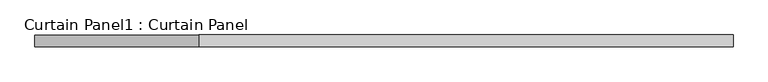
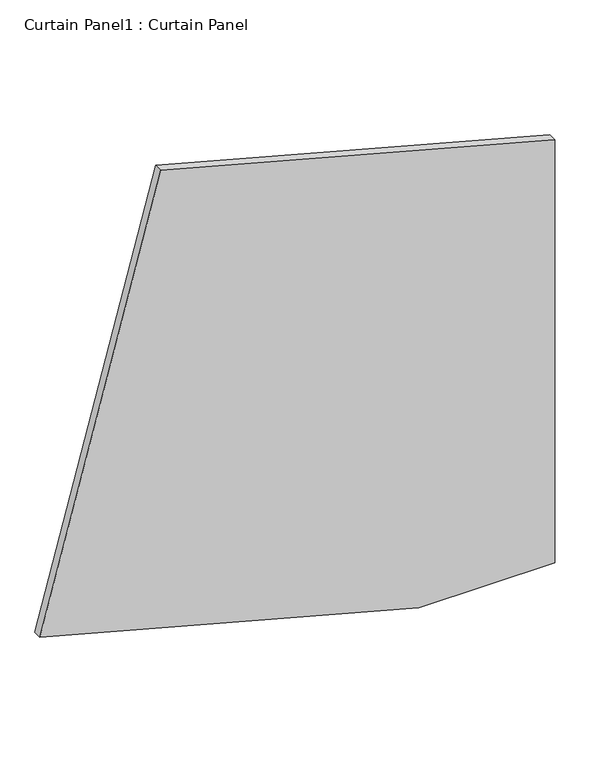
"""IFC4 building model written with IfcOpenShell, lengths in millimetres: plate geometry, Curtain Panel1 : Curtain Panel."""

from ifc_helpers import new_model, si_unit, frame, origin, place, context, project, spatial, polyline, outline, extrude, source, transform, mapped, element, save


def curtain_panel1_curtain_panel_321f611f(model_context):
    return source(origin(), model_context, "Body", "SweptSolid", [
        extrude(outline(polyline([(543.710155, -33846.9510937), (250.0, -32750.8098726), (250.0, -32357.5749186), (1542.2558552, -32357.5749186), (1847.7100205, -33497.5453829), (543.710155, -33846.9510937)])), frame((0.0, -19321.6395763, 0.0), z_axis=(0.0, 1.0, 0.0), x_axis=(0.0, 0.0, 1.0)), (0.0, 0.0, 1.0), 25.0),
    ])


if __name__ == "__main__":
    model = new_model("IFC4")
    model_context = context("Model", 3, world=origin())
    ifc_project = project(units=[si_unit("LENGTHUNIT", "METRE", prefix="MILLI")], contexts=[model_context])
    site = spatial("IfcSite", under=ifc_project)
    building = spatial("IfcBuilding", under=site)
    placement = place(None, origin())
    curtain_panel1_curtain_panel_shape = curtain_panel1_curtain_panel_321f611f(model_context)
    element("IfcPlate", 1, ObjectType="Curtain Panel1 : Curtain Panel", at=placement, inside=building, context=model_context, shape_type="MappedRepresentation", body=[
        mapped(curtain_panel1_curtain_panel_shape, transform((0.0, 0.0, 0.0), x_axis=(1.0, 0.0, 0.0), y_axis=(0.0, 1.0, 0.0), z_axis=(0.0, 0.0, 1.0))),
    ])
    save(model, "model.ifc")
